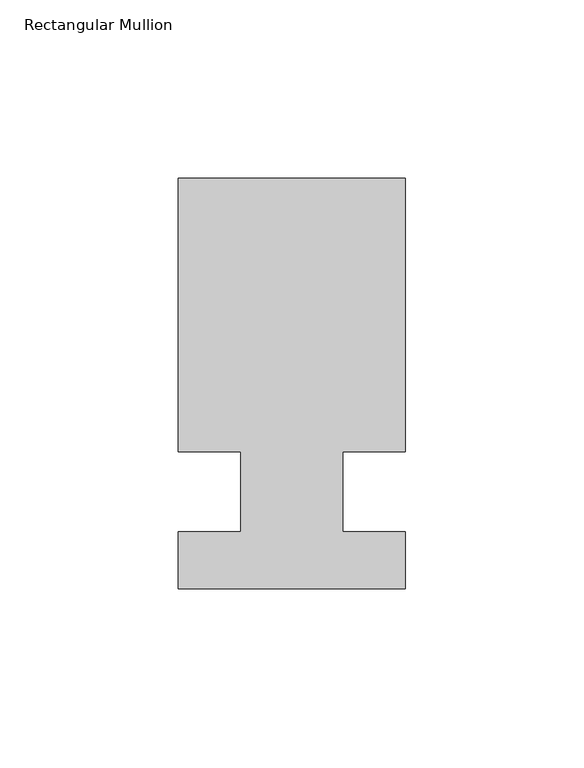
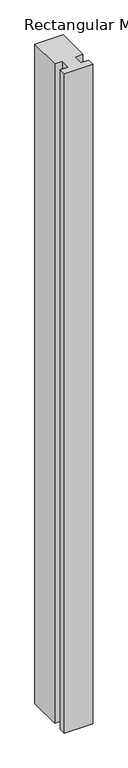
"""IFC4 building model written with IfcOpenShell, lengths in millimetres: member geometry, Rectangular Mullion."""

from ifc_helpers import new_model, si_unit, frame, origin, place, context, project, spatial, polyline, outline, extrude, source, transform, mapped, element, save


def rectangular_mullion_bb9fb7c1(model_context):
    return source(origin(), model_context, "Body", "SweptSolid", [
        extrude(outline(polyline([(31.75, 114.5309812), (31.75, 38.0007812), (14.2875, 38.0007813), (14.2875, 15.5217812), (31.75, 15.5217812), (31.75, -0.3278188), (-31.75, -0.3278188), (-31.75, 15.5217812), (-14.2875, 15.5217812), (-14.2875, 38.0007812), (-31.75, 38.0007813), (-31.75, 114.5309812), (31.75, 114.5309812)])), frame((0.0, 0.0, -1563.1059921), z_axis=(0.0, 0.0, 1.0), x_axis=(1.0, 0.0, 0.0)), (0.0, 0.0, 1.0), 1563.1059921),
    ])


if __name__ == "__main__":
    model = new_model("IFC4")
    model_context = context("Model", 3, world=origin())
    ifc_project = project(units=[si_unit("LENGTHUNIT", "METRE", prefix="MILLI")], contexts=[model_context])
    site = spatial("IfcSite", under=ifc_project)
    building = spatial("IfcBuilding", under=site)
    placement = place(None, origin())
    rectangular_mullion_shape = rectangular_mullion_bb9fb7c1(model_context)
    element("IfcMember", 1, ObjectType="Rectangular Mullion", at=placement, inside=building, context=model_context, shape_type="MappedRepresentation", body=[
        mapped(rectangular_mullion_shape, transform((0.0, 0.0, 0.0), x_axis=(1.0, 0.0, 0.0), y_axis=(0.0, 1.0, 0.0), z_axis=(0.0, 0.0, 1.0))),
    ])
    save(model, "model.ifc")
